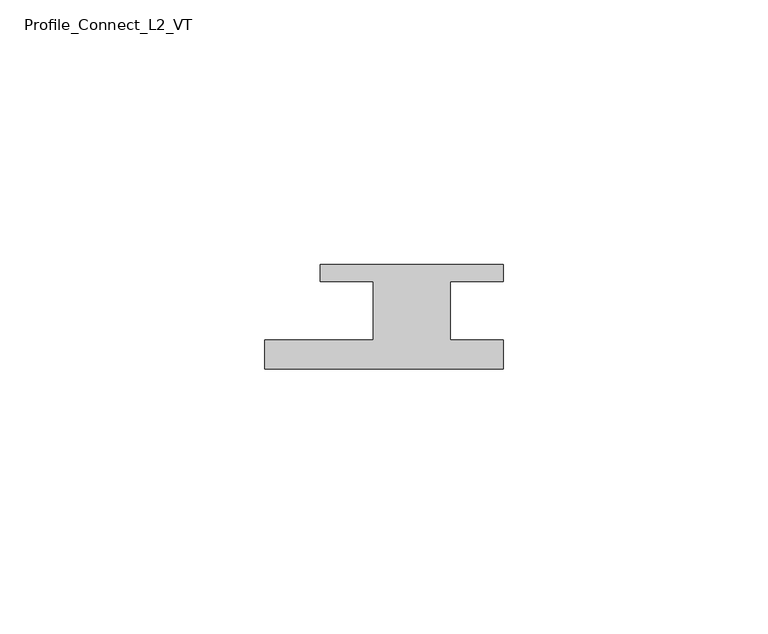
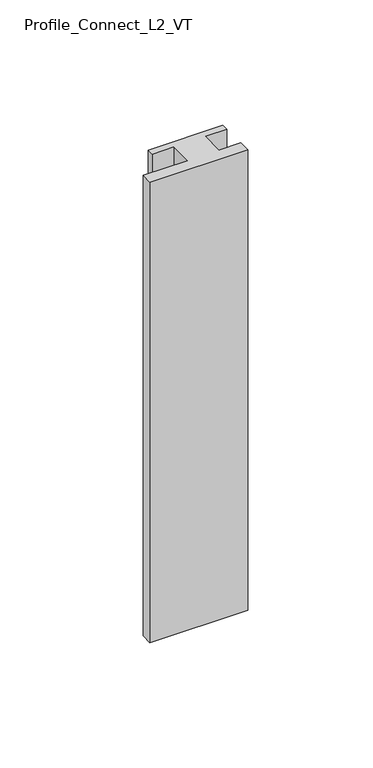
"""IFC4 building model written with IfcOpenShell, lengths in millimetres: member geometry, Profile_Connect_L2_VT."""

import ifcopenshell
import ifcopenshell.guid

model = None  # the IFC model being written
_history = None  # IfcOwnerHistory: only IFC2X3 demands one
_inside = {}  # id of a spatial element -> (the spatial element, [elements in it])
_under = {}  # id of a project, library or spatial element -> (it, [spatial elements below it])
_declared = {}  # id of a project -> (the project, [libraries it declares])
_typed = {}  # id of a type object -> (the type object, [elements of that type])
_made_of = {}  # id of a material, layer set ... -> (it, [elements and type objects made of it])


def new_model(schema):
    """Start an empty IFC model of exactly this schema.

    Asked for "IFC4X3", IfcOpenShell would pick the latest addendum, in which some entities
    have other attributes; the version numbers below select the first issue.
    IFC2X3 requires an IfcOwnerHistory on every rooted entity: one is made here for all.
    """
    global model, _history
    if schema == "IFC4X3":
        model = ifcopenshell.file(schema_version=(4, 3, 0, 0))
    else:
        model = ifcopenshell.file(schema=schema)
    _inside.clear()
    _under.clear()
    _declared.clear()
    _typed.clear()
    _made_of.clear()
    _history = None
    if model.schema == "IFC2X3":
        org = make("IfcOrganization", Name="unknown")
        user = make(
            "IfcPersonAndOrganization",
            ThePerson=make("IfcPerson", FamilyName="unknown"),
            TheOrganization=org,
        )
        app = make(
            "IfcApplication",
            ApplicationDeveloper=org,
            Version="unknown",
            ApplicationFullName="unknown",
            ApplicationIdentifier="unknown",
        )
        _history = make(
            "IfcOwnerHistory",
            OwningUser=user,
            OwningApplication=app,
            ChangeAction="ADDED",
            CreationDate=0,
        )
    return model


def make(cls, **values):
    """One entity of the class cls with the attributes given. An attribute that is None is left unset."""
    return model.create_entity(
        cls, **{name: value for name, value in values.items() if value is not None}
    )


def rooted(cls, **values):
    """An entity with a GlobalId (a new one), such as an element, a storey or a relation."""
    return make(cls, GlobalId=ifcopenshell.guid.new(), OwnerHistory=_history, **values)


def si_unit(unit_type, name, prefix=None):
    """IfcSIUnit, for example si_unit("LENGTHUNIT", "METRE", prefix="MILLI")."""
    return make("IfcSIUnit", UnitType=unit_type, Prefix=prefix, Name=name)


def assignment(units):
    """IfcUnitAssignment: the units of a project."""
    return None if units is None else make("IfcUnitAssignment", Units=units)


def point(xyz):
    """IfcCartesianPoint."""
    return None if xyz is None else make("IfcCartesianPoint", Coordinates=xyz)


def direction(xyz):
    """IfcDirection."""
    return None if xyz is None else make("IfcDirection", DirectionRatios=xyz)


def frame(location, z_axis=None, x_axis=None):
    """IfcAxis2Placement3D, a coordinate frame: its origin and axes. An axis left out is left unset."""
    return make(
        "IfcAxis2Placement3D",
        Location=point(location),
        Axis=direction(z_axis),
        RefDirection=direction(x_axis),
    )


def origin():
    """The frame at (0, 0, 0) with its axes left unset."""
    return frame((0.0, 0.0, 0.0))


def place(relative_to, where):
    """IfcLocalPlacement: puts the frame where relative to a parent placement (None: the world)."""
    return make(
        "IfcLocalPlacement", PlacementRelTo=relative_to, RelativePlacement=where
    )


def context(
    kind, dimensions, precision=None, world=None, true_north=None, identifier=None
):
    """IfcGeometricRepresentationContext, for example the 3D "Model" context."""
    return make(
        "IfcGeometricRepresentationContext",
        ContextIdentifier=identifier,
        ContextType=kind,
        CoordinateSpaceDimension=dimensions,
        Precision=precision,
        WorldCoordinateSystem=world,
        TrueNorth=true_north,
    )


def project(units=None, contexts=None):
    """IfcProject with its units and contexts."""
    return rooted(
        "IfcProject",
        Name="project",
        RepresentationContexts=contexts,
        UnitsInContext=assignment(units),
    )


def spatial(cls, under=None, at=None, **own):
    """A site, building, storey or space (cls), placed at a placement, below another one or the project."""
    s = rooted(cls, ObjectPlacement=at, **own)
    if under is not None:
        _under.setdefault(under.id(), (under, []))[1].append(s)
    return s


def polyline(points):
    """IfcPolyline through the points."""
    return make("IfcPolyline", Points=[point(p) for p in points])


def outline(outer, holes=None, kind="AREA"):
    """IfcArbitraryClosedProfileDef: a profile drawn as a closed curve; with holes, ...WithVoids."""
    if holes is None:
        return make("IfcArbitraryClosedProfileDef", ProfileType=kind, OuterCurve=outer)
    return make(
        "IfcArbitraryProfileDefWithVoids",
        ProfileType=kind,
        OuterCurve=outer,
        InnerCurves=holes,
    )


def extrude(swept, where, along, depth):
    """IfcExtrudedAreaSolid: the profile swept, set in the frame where, extruded along a direction by depth."""
    return make(
        "IfcExtrudedAreaSolid",
        SweptArea=swept,
        Position=where,
        ExtrudedDirection=direction(along),
        Depth=depth,
    )


def shape(context_of_items, identifier, shape_type, items):
    """IfcShapeRepresentation: the items that make up one representation, for example the "Body"."""
    return make(
        "IfcShapeRepresentation",
        ContextOfItems=context_of_items,
        RepresentationIdentifier=identifier,
        RepresentationType=shape_type,
        Items=items,
    )


def source(mapping_origin, context_of_items, identifier, shape_type, items):
    """IfcRepresentationMap: a shape defined once, which mapped items show again and again."""
    return make(
        "IfcRepresentationMap",
        MappingOrigin=mapping_origin,
        MappedRepresentation=shape(context_of_items, identifier, shape_type, items),
    )


def transform(
    local_origin,
    x_axis=None,
    y_axis=None,
    z_axis=None,
    scale=None,
    scale2=None,
    scale3=None,
    uniform=True,
):
    """IfcCartesianTransformationOperator3D, or its non-uniform kind. x_axis, y_axis, z_axis: its Axis1, 2, 3."""
    if uniform:
        return make(
            "IfcCartesianTransformationOperator3D",
            Axis1=direction(x_axis),
            Axis2=direction(y_axis),
            LocalOrigin=point(local_origin),
            Scale=scale,
            Axis3=direction(z_axis),
        )
    return make(
        "IfcCartesianTransformationOperator3DnonUniform",
        Axis1=direction(x_axis),
        Axis2=direction(y_axis),
        LocalOrigin=point(local_origin),
        Scale=scale,
        Axis3=direction(z_axis),
        Scale2=scale2,
        Scale3=scale3,
    )


def mapped(mapping_source, mapping_target):
    """IfcMappedItem: shows the shape of a source again, moved by a transform."""
    return make(
        "IfcMappedItem", MappingSource=mapping_source, MappingTarget=mapping_target
    )


def made_of(thing, what):
    """Note that an element or type object is made of a material, layer set ...; save() writes the relation."""
    if what is not None:
        _made_of.setdefault(what.id(), (what, []))[1].append(thing)
    return thing


def element(
    cls,
    number,
    at=None,
    inside=None,
    cuts=None,
    type_object=None,
    material=None,
    context=None,
    identifier="Body",
    shape_type=None,
    held_by="IfcProductDefinitionShape",
    body=None,
    shapes=None,
    **own,
):
    """One element of the class cls, such as IfcWall. Its Tag is "e" and its number.

    at: its placement. inside: the storey or other place that contains it. cuts: it is an
    opening in that element (IfcRelVoidsElement). A single representation is given by context,
    identifier, shape_type and body (its items); several are given by shapes. held_by: the class
    of the entity that holds the representations. save() writes the other relations.
    """
    e = rooted(cls, Tag="e%d" % number, ObjectPlacement=at, **own)
    if body is not None:
        shapes = [shape(context, identifier, shape_type, body)]
    if shapes is not None:
        e.Representation = make(held_by, Representations=shapes)
    if inside is not None:
        _inside.setdefault(inside.id(), (inside, []))[1].append(e)
    if cuts is not None:
        rooted(
            "IfcRelVoidsElement", RelatingBuildingElement=cuts, RelatedOpeningElement=e
        )
    if type_object is not None:
        _typed.setdefault(type_object.id(), (type_object, []))[1].append(e)
    return made_of(e, material)


def aggregate(whole, parts):
    """IfcRelAggregates: a whole, such as a stair, and the parts it consists of."""
    return rooted("IfcRelAggregates", RelatingObject=whole, RelatedObjects=parts)


def save(model, path):
    """Write the relations noted so far, then the file.

    IfcRelAggregates (storeys below a building ...), IfcRelContainedInSpatialStructure (elements
    in a storey), IfcRelDefinesByType, IfcRelAssociatesMaterial and IfcRelDeclares: one each for
    every whole, place, type object, material and project.
    """
    for whole, parts in _under.values():
        aggregate(whole, parts)
    for where, things in _inside.values():
        rooted(
            "IfcRelContainedInSpatialStructure",
            RelatedElements=things,
            RelatingStructure=where,
        )
    for kind, things in _typed.values():
        rooted("IfcRelDefinesByType", RelatedObjects=things, RelatingType=kind)
    for what, things in _made_of.values():
        rooted("IfcRelAssociatesMaterial", RelatedObjects=things, RelatingMaterial=what)
    for by, libraries in _declared.values():
        rooted("IfcRelDeclares", RelatingContext=by, RelatedDefinitions=libraries)
    model.write(path)


def profile_connect_l2_vt_f3c351d7(model_context):
    return source(origin(), model_context, "Body", "SweptSolid", [
        extrude(outline(polyline([(-28.9, -5.5), (-8.4, -5.5), (-8.4, 5.5), (-18.4, 5.5), (-18.4, 8.7), (16.1, 8.7), (16.1, 5.5), (6.1, 5.5), (6.1, -5.5), (16.1, -5.5), (16.1, -11.0), (-28.9, -11.0), (-28.9, -5.5)])), frame((0.0, 0.0, -224.5), z_axis=(0.0, 0.0, 1.0), x_axis=(1.0, 0.0, 0.0)), (0.0, 0.0, 1.0), 224.5),
    ])


if __name__ == "__main__":
    model = new_model("IFC4")
    model_context = context("Model", 3, world=origin())
    ifc_project = project(units=[si_unit("LENGTHUNIT", "METRE", prefix="MILLI")], contexts=[model_context])
    site = spatial("IfcSite", under=ifc_project)
    building = spatial("IfcBuilding", under=site)
    placement = place(None, origin())
    profile_connect_l2_vt_shape = profile_connect_l2_vt_f3c351d7(model_context)
    element("IfcMember", 1, ObjectType="Profile_Connect_L2_VT", at=placement, inside=building, context=model_context, shape_type="MappedRepresentation", body=[
        mapped(profile_connect_l2_vt_shape, transform((0.0, 0.0, 0.0), x_axis=(1.0, 0.0, 0.0), y_axis=(0.0, 1.0, 0.0), z_axis=(0.0, 0.0, 1.0))),
    ])
    save(model, "model.ifc")
